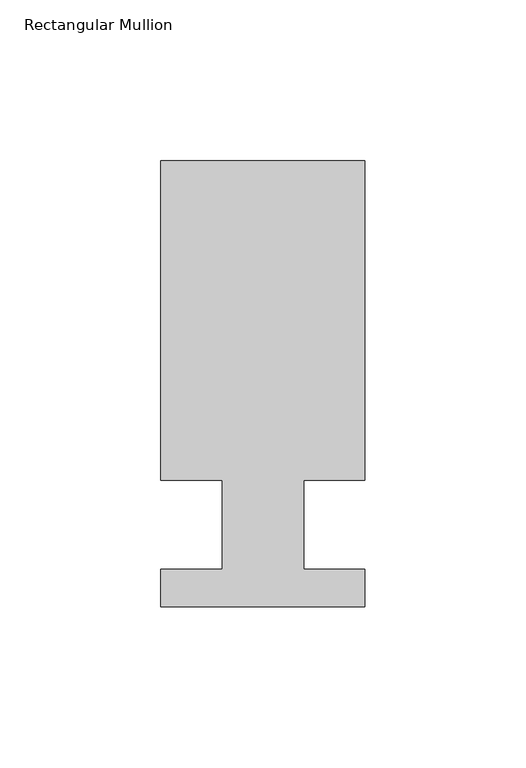
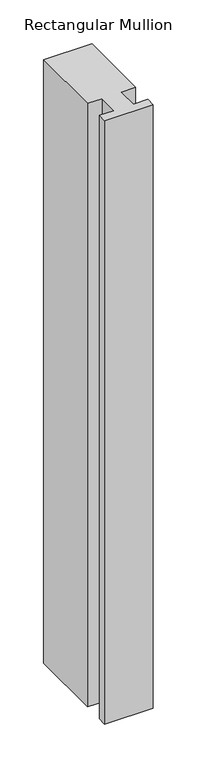
"""IFC4 building model written with IfcOpenShell, lengths in millimetres: member geometry, Rectangular Mullion."""

from ifc_helpers import new_model, si_unit, frame, origin, place, context, project, spatial, polyline, outline, extrude, source, transform, mapped, element, save


def rectangular_mullion_d2c7884c(model_context):
    return source(origin(), model_context, "Body", "SweptSolid", [
        extrude(outline(polyline([(31.75, 39.3898437), (12.7, 39.3898437), (12.7, 11.7038437), (31.75, 11.7038437), (31.75, 0.0219696), (-31.75, 0.0219696), (-31.75, 11.7038437), (-12.7, 11.7038437), (-12.7, 39.3898437), (-31.75, 39.3898437), (-31.75, 138.7038437), (31.75, 138.7038437), (31.75, 39.3898437)])), frame((0.0, 0.0, -838.2), z_axis=(0.0, 0.0, 1.0), x_axis=(1.0, 0.0, 0.0)), (0.0, 0.0, 1.0), 838.2),
    ])


if __name__ == "__main__":
    model = new_model("IFC4")
    model_context = context("Model", 3, world=origin())
    ifc_project = project(units=[si_unit("LENGTHUNIT", "METRE", prefix="MILLI")], contexts=[model_context])
    site = spatial("IfcSite", under=ifc_project)
    building = spatial("IfcBuilding", under=site)
    placement = place(None, origin())
    rectangular_mullion_shape = rectangular_mullion_d2c7884c(model_context)
    element("IfcMember", 1, ObjectType="Rectangular Mullion", at=placement, inside=building, context=model_context, shape_type="MappedRepresentation", body=[
        mapped(rectangular_mullion_shape, transform((0.0, 0.0, 0.0), x_axis=(1.0, 0.0, 0.0), y_axis=(0.0, 1.0, 0.0), z_axis=(0.0, 0.0, 1.0))),
    ])
    save(model, "model.ifc")
